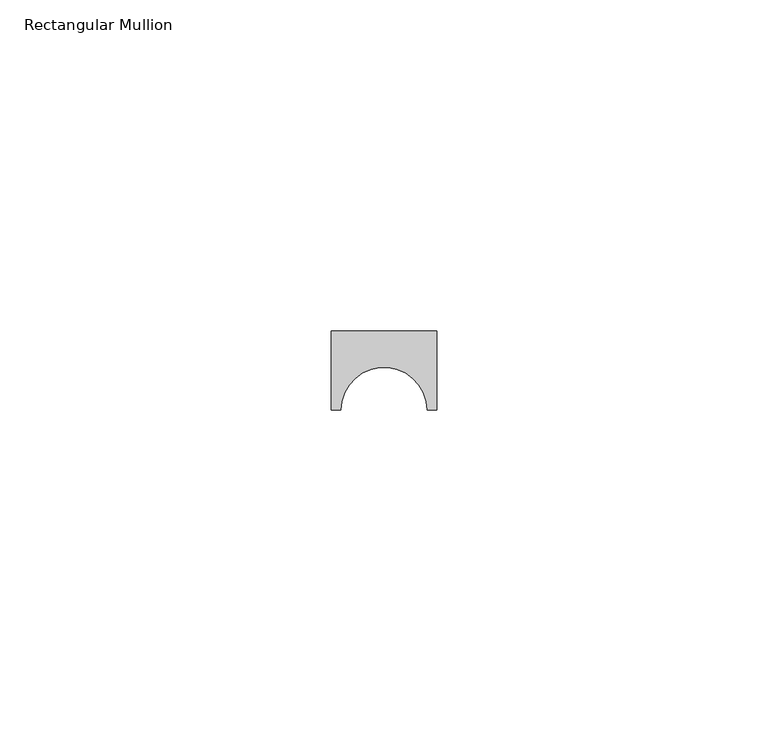
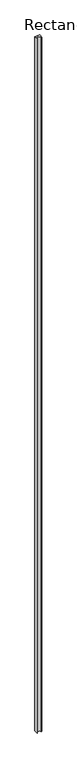
"""IFC4 building model written with IfcOpenShell, lengths in millimetres: member geometry, Rectangular Mullion."""

from ifc_helpers import new_model, si_unit, point, frame, frame_2d, origin, place, context, project, spatial, polyline, circle_curve, trimmed, segment, composite_curve, outline, extrude, source, transform, mapped, element, save


def rectangular_mullion_1c482b6f(model_context):
    return source(origin(), model_context, "Body", "SweptSolid", [
        extrude(outline(composite_curve([segment(polyline([(8.0, 0.0), (8.0, -12.0), (6.5, -12.0)]), True, "CONTINUOUS"), segment(trimmed(circle_curve(frame_2d((0.0, -12.0)), 6.5), [point((6.5, -12.0))], [point((-6.5, -12.0))], True, "CARTESIAN"), True, "CONTINUOUS"), segment(polyline([(-6.5, -12.0), (-8.0, -12.0), (-8.0, 0.0), (8.0, 0.0)]), True, "CONTINUOUS")], self_intersect=False)), frame((0.0, 0.0, -2400.0), z_axis=(0.0, 0.0, 1.0), x_axis=(1.0, 0.0, 0.0)), (0.0, 0.0, 1.0), 2400.0),
    ])


if __name__ == "__main__":
    model = new_model("IFC4")
    model_context = context("Model", 3, world=origin())
    ifc_project = project(units=[si_unit("LENGTHUNIT", "METRE", prefix="MILLI")], contexts=[model_context])
    site = spatial("IfcSite", under=ifc_project)
    building = spatial("IfcBuilding", under=site)
    placement = place(None, origin())
    rectangular_mullion_shape = rectangular_mullion_1c482b6f(model_context)
    element("IfcMember", 1, ObjectType="Rectangular Mullion", at=placement, inside=building, context=model_context, shape_type="MappedRepresentation", body=[
        mapped(rectangular_mullion_shape, transform((0.0, 0.0, 0.0), x_axis=(1.0, 0.0, 0.0), y_axis=(0.0, 1.0, 0.0), z_axis=(0.0, 0.0, 1.0))),
    ])
    save(model, "model.ifc")
